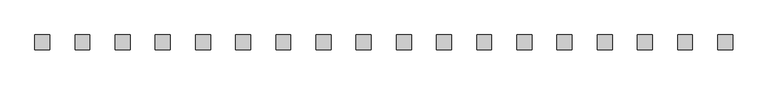
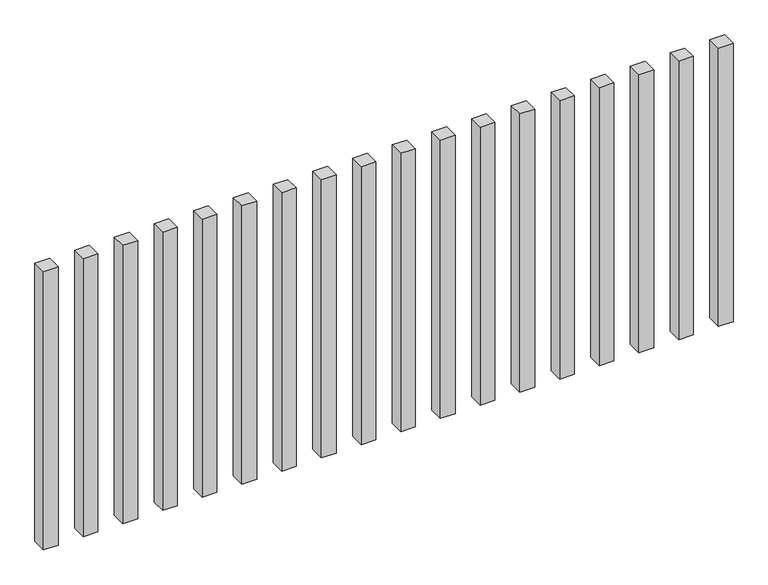
"""IFC4 building model written with IfcOpenShell, lengths in millimetres: railing geometry."""

from ifc_helpers import new_model, si_unit, origin, origin_with_axes, place, context, project, spatial, polyline, outline, extrude, source, transform, mapped, element, save


def railing_5fa4f531(model_context):
    return source(origin(), model_context, "Body", "SweptSolid", [
        extrude(outline(polyline([(-15507.5700772, -88954.0267127), (-15507.5700772, -88904.0267127), (-15457.5700772, -88904.0267127), (-15457.5700772, -88954.0267127), (-15507.5700772, -88954.0267127)])), origin_with_axes(), (0.0, 0.0, 1.0), 1000.0),
        extrude(outline(polyline([(-15642.5700772, -88954.0267127), (-15642.5700772, -88904.0267127), (-15592.5700772, -88904.0267127), (-15592.5700772, -88954.0267127), (-15642.5700772, -88954.0267127)])), origin_with_axes(), (0.0, 0.0, 1.0), 1000.0),
        extrude(outline(polyline([(-15777.5700772, -88954.0267127), (-15777.5700772, -88904.0267127), (-15727.5700772, -88904.0267127), (-15727.5700772, -88954.0267127), (-15777.5700772, -88954.0267127)])), origin_with_axes(), (0.0, 0.0, 1.0), 1000.0),
        extrude(outline(polyline([(-15912.5700772, -88954.0267127), (-15912.5700772, -88904.0267127), (-15862.5700772, -88904.0267127), (-15862.5700772, -88954.0267127), (-15912.5700772, -88954.0267127)])), origin_with_axes(), (0.0, 0.0, 1.0), 1000.0),
        extrude(outline(polyline([(-16047.5700772, -88954.0267127), (-16047.5700772, -88904.0267127), (-15997.5700772, -88904.0267127), (-15997.5700772, -88954.0267127), (-16047.5700772, -88954.0267127)])), origin_with_axes(), (0.0, 0.0, 1.0), 1000.0),
        extrude(outline(polyline([(-16182.5700772, -88954.0267127), (-16182.5700772, -88904.0267127), (-16132.5700772, -88904.0267127), (-16132.5700772, -88954.0267127), (-16182.5700772, -88954.0267127)])), origin_with_axes(), (0.0, 0.0, 1.0), 1000.0),
        extrude(outline(polyline([(-16317.5700772, -88954.0267127), (-16317.5700772, -88904.0267127), (-16267.5700772, -88904.0267127), (-16267.5700772, -88954.0267127), (-16317.5700772, -88954.0267127)])), origin_with_axes(), (0.0, 0.0, 1.0), 1000.0),
        extrude(outline(polyline([(-16452.5700772, -88954.0267127), (-16452.5700772, -88904.0267127), (-16402.5700772, -88904.0267127), (-16402.5700772, -88954.0267127), (-16452.5700772, -88954.0267127)])), origin_with_axes(), (0.0, 0.0, 1.0), 1000.0),
        extrude(outline(polyline([(-16587.5700772, -88954.0267127), (-16587.5700772, -88904.0267127), (-16537.5700772, -88904.0267127), (-16537.5700772, -88954.0267127), (-16587.5700772, -88954.0267127)])), origin_with_axes(), (0.0, 0.0, 1.0), 1000.0),
        extrude(outline(polyline([(-16722.5700772, -88954.0267127), (-16722.5700772, -88904.0267127), (-16672.5700772, -88904.0267127), (-16672.5700772, -88954.0267127), (-16722.5700772, -88954.0267127)])), origin_with_axes(), (0.0, 0.0, 1.0), 1000.0),
        extrude(outline(polyline([(-16857.5700772, -88954.0267127), (-16857.5700772, -88904.0267127), (-16807.5700772, -88904.0267127), (-16807.5700772, -88954.0267127), (-16857.5700772, -88954.0267127)])), origin_with_axes(), (0.0, 0.0, 1.0), 1000.0),
        extrude(outline(polyline([(-16992.5700772, -88954.0267127), (-16992.5700772, -88904.0267127), (-16942.5700772, -88904.0267127), (-16942.5700772, -88954.0267127), (-16992.5700772, -88954.0267127)])), origin_with_axes(), (0.0, 0.0, 1.0), 1000.0),
        extrude(outline(polyline([(-17127.5700772, -88954.0267127), (-17127.5700772, -88904.0267127), (-17077.5700772, -88904.0267127), (-17077.5700772, -88954.0267127), (-17127.5700772, -88954.0267127)])), origin_with_axes(), (0.0, 0.0, 1.0), 1000.0),
        extrude(outline(polyline([(-17262.5700772, -88954.0267127), (-17262.5700772, -88904.0267127), (-17212.5700772, -88904.0267127), (-17212.5700772, -88954.0267127), (-17262.5700772, -88954.0267127)])), origin_with_axes(), (0.0, 0.0, 1.0), 1000.0),
        extrude(outline(polyline([(-17397.5700772, -88954.0267127), (-17397.5700772, -88904.0267127), (-17347.5700772, -88904.0267127), (-17347.5700772, -88954.0267127), (-17397.5700772, -88954.0267127)])), origin_with_axes(), (0.0, 0.0, 1.0), 1000.0),
        extrude(outline(polyline([(-17532.5700772, -88954.0267127), (-17532.5700772, -88904.0267127), (-17482.5700772, -88904.0267127), (-17482.5700772, -88954.0267127), (-17532.5700772, -88954.0267127)])), origin_with_axes(), (0.0, 0.0, 1.0), 1000.0),
        extrude(outline(polyline([(-17667.5700772, -88954.0267127), (-17667.5700772, -88904.0267127), (-17617.5700772, -88904.0267127), (-17617.5700772, -88954.0267127), (-17667.5700772, -88954.0267127)])), origin_with_axes(), (0.0, 0.0, 1.0), 1000.0),
        extrude(outline(polyline([(-17802.5700772, -88954.0267127), (-17802.5700772, -88904.0267127), (-17752.5700772, -88904.0267127), (-17752.5700772, -88954.0267127), (-17802.5700772, -88954.0267127)])), origin_with_axes(), (0.0, 0.0, 1.0), 1000.0),
    ])


if __name__ == "__main__":
    model = new_model("IFC4")
    model_context = context("Model", 3, world=origin())
    ifc_project = project(units=[si_unit("LENGTHUNIT", "METRE", prefix="MILLI")], contexts=[model_context])
    site = spatial("IfcSite", under=ifc_project)
    building = spatial("IfcBuilding", under=site)
    placement = place(None, origin())
    railing_shape = railing_5fa4f531(model_context)
    element("IfcRailing", 1, at=placement, inside=building, context=model_context, shape_type="MappedRepresentation", body=[
        mapped(railing_shape, transform((0.0, 0.0, 0.0), x_axis=(1.0, 0.0, 0.0), y_axis=(0.0, 1.0, 0.0), z_axis=(0.0, 0.0, 1.0))),
    ])
    save(model, "model.ifc")
